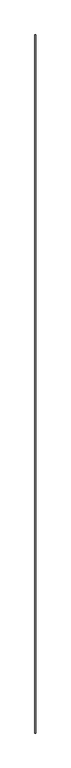
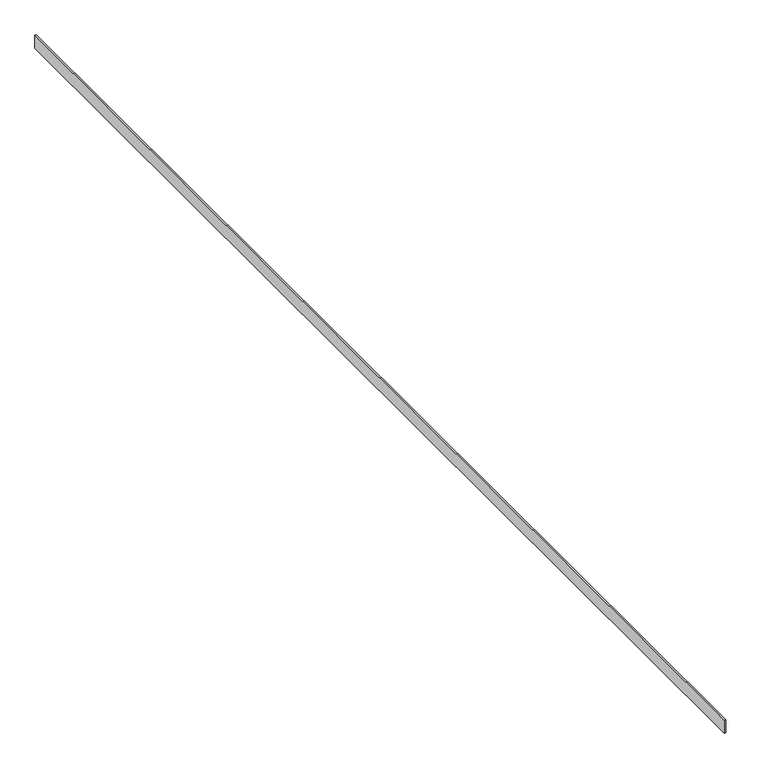
"""IFC4 building model written with IfcOpenShell, lengths in millimetres: proxy geometry."""

import ifcopenshell
import ifcopenshell.guid

model = None  # the IFC model being written
_history = None  # IfcOwnerHistory: only IFC2X3 demands one
_inside = {}  # id of a spatial element -> (the spatial element, [elements in it])
_under = {}  # id of a project, library or spatial element -> (it, [spatial elements below it])
_declared = {}  # id of a project -> (the project, [libraries it declares])
_typed = {}  # id of a type object -> (the type object, [elements of that type])
_made_of = {}  # id of a material, layer set ... -> (it, [elements and type objects made of it])


def new_model(schema):
    """Start an empty IFC model of exactly this schema.

    Asked for "IFC4X3", IfcOpenShell would pick the latest addendum, in which some entities
    have other attributes; the version numbers below select the first issue.
    IFC2X3 requires an IfcOwnerHistory on every rooted entity: one is made here for all.
    """
    global model, _history
    if schema == "IFC4X3":
        model = ifcopenshell.file(schema_version=(4, 3, 0, 0))
    else:
        model = ifcopenshell.file(schema=schema)
    _inside.clear()
    _under.clear()
    _declared.clear()
    _typed.clear()
    _made_of.clear()
    _history = None
    if model.schema == "IFC2X3":
        org = make("IfcOrganization", Name="unknown")
        user = make(
            "IfcPersonAndOrganization",
            ThePerson=make("IfcPerson", FamilyName="unknown"),
            TheOrganization=org,
        )
        app = make(
            "IfcApplication",
            ApplicationDeveloper=org,
            Version="unknown",
            ApplicationFullName="unknown",
            ApplicationIdentifier="unknown",
        )
        _history = make(
            "IfcOwnerHistory",
            OwningUser=user,
            OwningApplication=app,
            ChangeAction="ADDED",
            CreationDate=0,
        )
    return model


def make(cls, **values):
    """One entity of the class cls with the attributes given. An attribute that is None is left unset."""
    return model.create_entity(
        cls, **{name: value for name, value in values.items() if value is not None}
    )


def rooted(cls, **values):
    """An entity with a GlobalId (a new one), such as an element, a storey or a relation."""
    return make(cls, GlobalId=ifcopenshell.guid.new(), OwnerHistory=_history, **values)


def si_unit(unit_type, name, prefix=None):
    """IfcSIUnit, for example si_unit("LENGTHUNIT", "METRE", prefix="MILLI")."""
    return make("IfcSIUnit", UnitType=unit_type, Prefix=prefix, Name=name)


def assignment(units):
    """IfcUnitAssignment: the units of a project."""
    return None if units is None else make("IfcUnitAssignment", Units=units)


def point(xyz):
    """IfcCartesianPoint."""
    return None if xyz is None else make("IfcCartesianPoint", Coordinates=xyz)


def direction(xyz):
    """IfcDirection."""
    return None if xyz is None else make("IfcDirection", DirectionRatios=xyz)


def frame(location, z_axis=None, x_axis=None):
    """IfcAxis2Placement3D, a coordinate frame: its origin and axes. An axis left out is left unset."""
    return make(
        "IfcAxis2Placement3D",
        Location=point(location),
        Axis=direction(z_axis),
        RefDirection=direction(x_axis),
    )


def origin():
    """The frame at (0, 0, 0) with its axes left unset."""
    return frame((0.0, 0.0, 0.0))


def place(relative_to, where):
    """IfcLocalPlacement: puts the frame where relative to a parent placement (None: the world)."""
    return make(
        "IfcLocalPlacement", PlacementRelTo=relative_to, RelativePlacement=where
    )


def context(
    kind, dimensions, precision=None, world=None, true_north=None, identifier=None
):
    """IfcGeometricRepresentationContext, for example the 3D "Model" context."""
    return make(
        "IfcGeometricRepresentationContext",
        ContextIdentifier=identifier,
        ContextType=kind,
        CoordinateSpaceDimension=dimensions,
        Precision=precision,
        WorldCoordinateSystem=world,
        TrueNorth=true_north,
    )


def project(units=None, contexts=None):
    """IfcProject with its units and contexts."""
    return rooted(
        "IfcProject",
        Name="project",
        RepresentationContexts=contexts,
        UnitsInContext=assignment(units),
    )


def spatial(cls, under=None, at=None, **own):
    """A site, building, storey or space (cls), placed at a placement, below another one or the project."""
    s = rooted(cls, ObjectPlacement=at, **own)
    if under is not None:
        _under.setdefault(under.id(), (under, []))[1].append(s)
    return s


def polyline(points):
    """IfcPolyline through the points."""
    return make("IfcPolyline", Points=[point(p) for p in points])


def outline(outer, holes=None, kind="AREA"):
    """IfcArbitraryClosedProfileDef: a profile drawn as a closed curve; with holes, ...WithVoids."""
    if holes is None:
        return make("IfcArbitraryClosedProfileDef", ProfileType=kind, OuterCurve=outer)
    return make(
        "IfcArbitraryProfileDefWithVoids",
        ProfileType=kind,
        OuterCurve=outer,
        InnerCurves=holes,
    )


def extrude(swept, where, along, depth):
    """IfcExtrudedAreaSolid: the profile swept, set in the frame where, extruded along a direction by depth."""
    return make(
        "IfcExtrudedAreaSolid",
        SweptArea=swept,
        Position=where,
        ExtrudedDirection=direction(along),
        Depth=depth,
    )


def shape(context_of_items, identifier, shape_type, items):
    """IfcShapeRepresentation: the items that make up one representation, for example the "Body"."""
    return make(
        "IfcShapeRepresentation",
        ContextOfItems=context_of_items,
        RepresentationIdentifier=identifier,
        RepresentationType=shape_type,
        Items=items,
    )


def source(mapping_origin, context_of_items, identifier, shape_type, items):
    """IfcRepresentationMap: a shape defined once, which mapped items show again and again."""
    return make(
        "IfcRepresentationMap",
        MappingOrigin=mapping_origin,
        MappedRepresentation=shape(context_of_items, identifier, shape_type, items),
    )


def transform(
    local_origin,
    x_axis=None,
    y_axis=None,
    z_axis=None,
    scale=None,
    scale2=None,
    scale3=None,
    uniform=True,
):
    """IfcCartesianTransformationOperator3D, or its non-uniform kind. x_axis, y_axis, z_axis: its Axis1, 2, 3."""
    if uniform:
        return make(
            "IfcCartesianTransformationOperator3D",
            Axis1=direction(x_axis),
            Axis2=direction(y_axis),
            LocalOrigin=point(local_origin),
            Scale=scale,
            Axis3=direction(z_axis),
        )
    return make(
        "IfcCartesianTransformationOperator3DnonUniform",
        Axis1=direction(x_axis),
        Axis2=direction(y_axis),
        LocalOrigin=point(local_origin),
        Scale=scale,
        Axis3=direction(z_axis),
        Scale2=scale2,
        Scale3=scale3,
    )


def mapped(mapping_source, mapping_target):
    """IfcMappedItem: shows the shape of a source again, moved by a transform."""
    return make(
        "IfcMappedItem", MappingSource=mapping_source, MappingTarget=mapping_target
    )


def made_of(thing, what):
    """Note that an element or type object is made of a material, layer set ...; save() writes the relation."""
    if what is not None:
        _made_of.setdefault(what.id(), (what, []))[1].append(thing)
    return thing


def element(
    cls,
    number,
    at=None,
    inside=None,
    cuts=None,
    type_object=None,
    material=None,
    context=None,
    identifier="Body",
    shape_type=None,
    held_by="IfcProductDefinitionShape",
    body=None,
    shapes=None,
    **own,
):
    """One element of the class cls, such as IfcWall. Its Tag is "e" and its number.

    at: its placement. inside: the storey or other place that contains it. cuts: it is an
    opening in that element (IfcRelVoidsElement). A single representation is given by context,
    identifier, shape_type and body (its items); several are given by shapes. held_by: the class
    of the entity that holds the representations. save() writes the other relations.
    """
    e = rooted(cls, Tag="e%d" % number, ObjectPlacement=at, **own)
    if body is not None:
        shapes = [shape(context, identifier, shape_type, body)]
    if shapes is not None:
        e.Representation = make(held_by, Representations=shapes)
    if inside is not None:
        _inside.setdefault(inside.id(), (inside, []))[1].append(e)
    if cuts is not None:
        rooted(
            "IfcRelVoidsElement", RelatingBuildingElement=cuts, RelatedOpeningElement=e
        )
    if type_object is not None:
        _typed.setdefault(type_object.id(), (type_object, []))[1].append(e)
    return made_of(e, material)


def aggregate(whole, parts):
    """IfcRelAggregates: a whole, such as a stair, and the parts it consists of."""
    return rooted("IfcRelAggregates", RelatingObject=whole, RelatedObjects=parts)


def save(model, path):
    """Write the relations noted so far, then the file.

    IfcRelAggregates (storeys below a building ...), IfcRelContainedInSpatialStructure (elements
    in a storey), IfcRelDefinesByType, IfcRelAssociatesMaterial and IfcRelDeclares: one each for
    every whole, place, type object, material and project.
    """
    for whole, parts in _under.values():
        aggregate(whole, parts)
    for where, things in _inside.values():
        rooted(
            "IfcRelContainedInSpatialStructure",
            RelatedElements=things,
            RelatingStructure=where,
        )
    for kind, things in _typed.values():
        rooted("IfcRelDefinesByType", RelatedObjects=things, RelatingType=kind)
    for what, things in _made_of.values():
        rooted("IfcRelAssociatesMaterial", RelatedObjects=things, RelatingMaterial=what)
    for by, libraries in _declared.values():
        rooted("IfcRelDeclares", RelatingContext=by, RelatedDefinitions=libraries)
    model.write(path)


def generic_models_8f3c3a37(model_context):
    return source(origin(), model_context, "Body", "SweptSolid", [
        extrude(outline(polyline([(37582.835265, -25196.3581533), (37582.835265, -18647.6647578), (37591.5043837, -18647.6647578), (37591.5043837, -25196.3581533), (37582.835265, -25196.3581533)])), frame((0.0, 0.0, 4697.7555055), z_axis=(0.0, 0.0, 1.0), x_axis=(1.0, 0.0, 0.0)), (0.0, 0.0, 1.0), 74.6379007),
    ])


if __name__ == "__main__":
    model = new_model("IFC4")
    model_context = context("Model", 3, world=origin())
    ifc_project = project(units=[si_unit("LENGTHUNIT", "METRE", prefix="MILLI")], contexts=[model_context])
    site = spatial("IfcSite", under=ifc_project)
    building = spatial("IfcBuilding", under=site)
    placement = place(None, origin())
    generic_models_shape = generic_models_8f3c3a37(model_context)
    element("IfcBuildingElementProxy", 1, Name="Generic Models", at=placement, inside=building, context=model_context, shape_type="MappedRepresentation", body=[
        mapped(generic_models_shape, transform((0.0, 0.0, 0.0), x_axis=(1.0, 0.0, 0.0), y_axis=(0.0, 1.0, 0.0), z_axis=(0.0, 0.0, 1.0))),
    ])
    save(model, "model.ifc")
